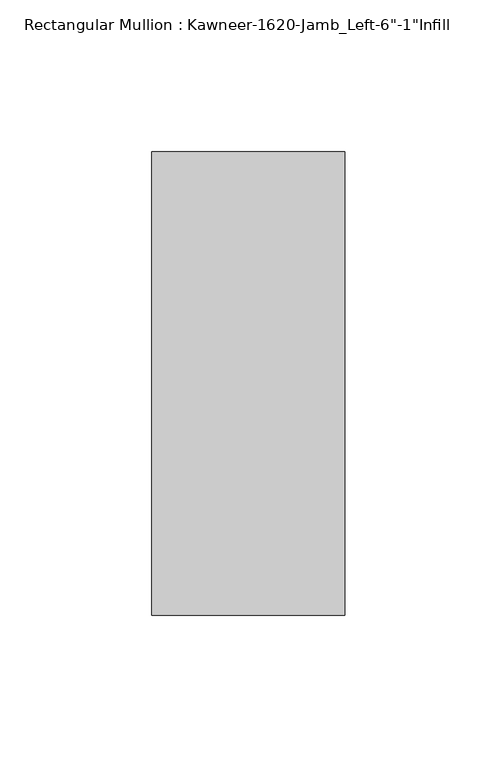
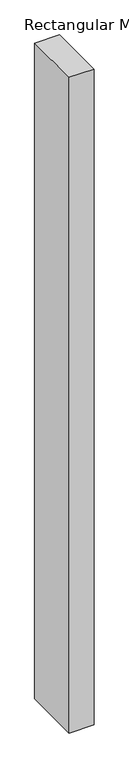
"""IFC4 building model written with IfcOpenShell, lengths in millimetres: member geometry."""

from ifc_helpers import new_model, si_unit, frame, origin, place, context, project, spatial, polyline, outline, extrude, source, transform, mapped, element, save


def member_b86fd16e(model_context):
    return source(origin(), model_context, "Body", "SweptSolid", [
        extrude(outline(polyline([(22.225, -38.1), (-41.275, -38.1), (-41.275, 114.3), (22.225, 114.3), (22.225, -38.1)])), frame((0.0, 0.0, -1765.3), z_axis=(0.0, 0.0, 1.0), x_axis=(1.0, 0.0, 0.0)), (0.0, 0.0, 1.0), 1765.3),
    ])


if __name__ == "__main__":
    model = new_model("IFC4")
    model_context = context("Model", 3, world=origin())
    ifc_project = project(units=[si_unit("LENGTHUNIT", "METRE", prefix="MILLI")], contexts=[model_context])
    site = spatial("IfcSite", under=ifc_project)
    building = spatial("IfcBuilding", under=site)
    placement = place(None, origin())
    member_shape = member_b86fd16e(model_context)
    element("IfcMember", 1, ObjectType="Rectangular Mullion : Kawneer-1620-Jamb_Left-6\"-1\"Infill", at=placement, inside=building, context=model_context, shape_type="MappedRepresentation", body=[
        mapped(member_shape, transform((0.0, 0.0, 0.0), x_axis=(1.0, 0.0, 0.0), y_axis=(0.0, 1.0, 0.0), z_axis=(0.0, 0.0, 1.0))),
    ])
    save(model, "model.ifc")
